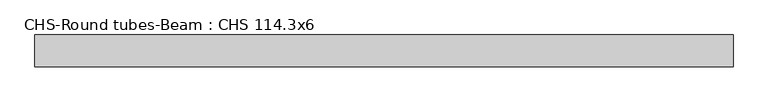
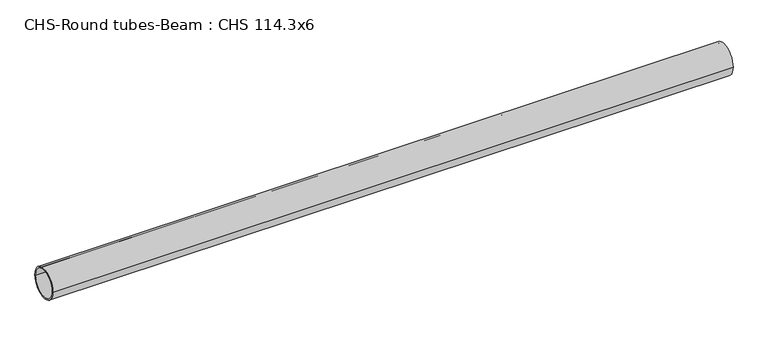
"""IFC4 building model written with IfcOpenShell, lengths in millimetres: beam geometry, CHS-Round tubes-Beam : CHS 114.3x6."""

from ifc_helpers import new_model, si_unit, point, frame, origin, origin_2d, place, context, project, spatial, circle_curve, trimmed, segment, composite_curve, outline, extrude, source, transform, mapped, element, save


def chs_round_tubes_beam_chs_114_3x6_110bdf71(model_context):
    return source(origin(), model_context, "Body", "SweptSolid", [
        extrude(outline(composite_curve([segment(trimmed(circle_curve(origin_2d(), 57.15), [point((57.15, 0.0))], [point((-57.15, 0.0))], False, "CARTESIAN"), True, "CONTINUOUS"), segment(trimmed(circle_curve(origin_2d(), 57.15), [point((-57.15, 0.0))], [point((57.15, 0.0))], False, "CARTESIAN"), True, "CONTINUOUS")], self_intersect=False), holes=[composite_curve([segment(trimmed(circle_curve(origin_2d(), 51.15), [point((51.15, 0.0))], [point((-51.15, 0.0))], True, "CARTESIAN"), True, "CONTINUOUS"), segment(trimmed(circle_curve(origin_2d(), 51.15), [point((-51.15, 0.0))], [point((51.15, 0.0))], True, "CARTESIAN"), True, "CONTINUOUS")], self_intersect=False)]), frame((-1204.9422026, 0.0, 0.0), z_axis=(1.0, 0.0, 0.0), x_axis=(0.0, 1.0, 0.0)), (0.0, 0.0, 1.0), 2507.8428719),
    ])


if __name__ == "__main__":
    model = new_model("IFC4")
    model_context = context("Model", 3, world=origin())
    ifc_project = project(units=[si_unit("LENGTHUNIT", "METRE", prefix="MILLI")], contexts=[model_context])
    site = spatial("IfcSite", under=ifc_project)
    building = spatial("IfcBuilding", under=site)
    placement = place(None, origin())
    chs_round_tubes_beam_chs_114_3x6_shape = chs_round_tubes_beam_chs_114_3x6_110bdf71(model_context)
    element("IfcBeam", 1, ObjectType="CHS-Round tubes-Beam : CHS 114.3x6", at=placement, inside=building, context=model_context, shape_type="MappedRepresentation", body=[
        mapped(chs_round_tubes_beam_chs_114_3x6_shape, transform((0.0, 0.0, 0.0), x_axis=(1.0, 0.0, 0.0), y_axis=(0.0, 1.0, 0.0), z_axis=(0.0, 0.0, 1.0))),
    ])
    save(model, "model.ifc")
